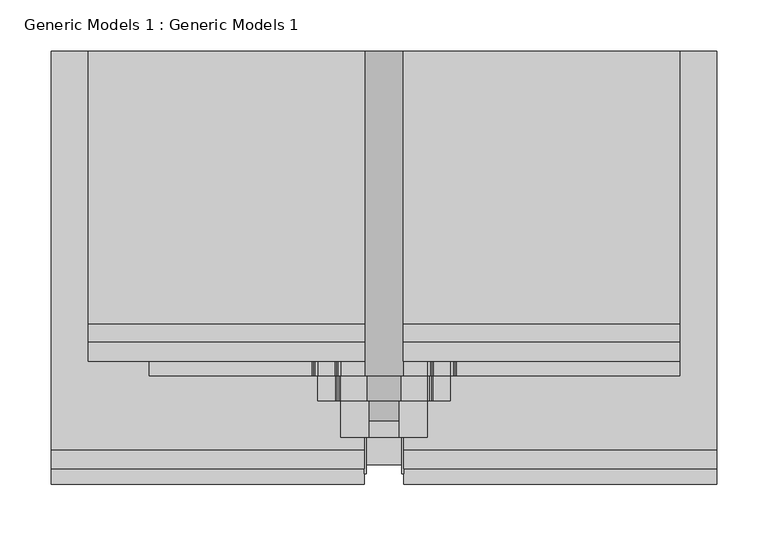
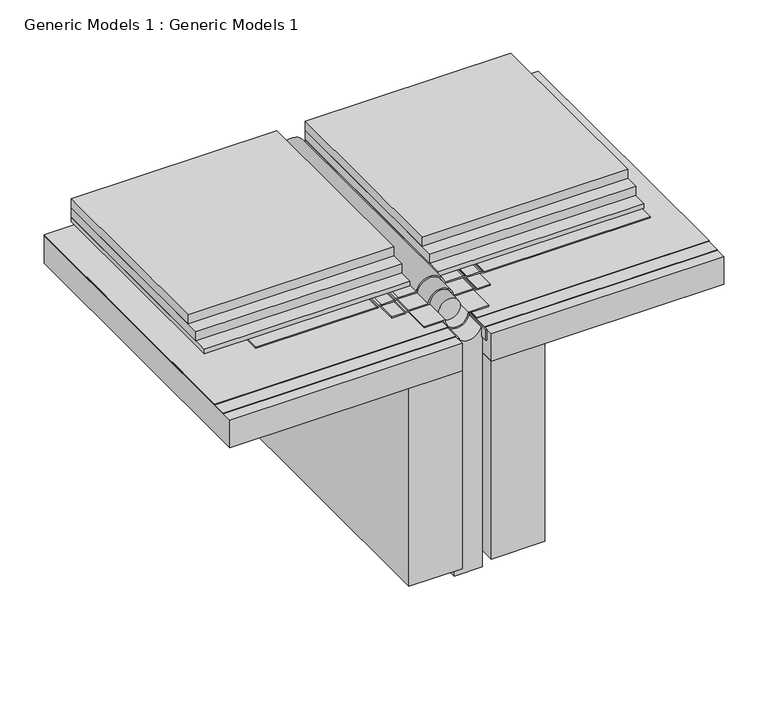
"""IFC4 building model written with IfcOpenShell, lengths in millimetres: proxy geometry, Generic Models 1 : Generic Models 1."""

import ifcopenshell
import ifcopenshell.guid

model = None  # the IFC model being written
_history = None  # IfcOwnerHistory: only IFC2X3 demands one
_inside = {}  # id of a spatial element -> (the spatial element, [elements in it])
_under = {}  # id of a project, library or spatial element -> (it, [spatial elements below it])
_declared = {}  # id of a project -> (the project, [libraries it declares])
_typed = {}  # id of a type object -> (the type object, [elements of that type])
_made_of = {}  # id of a material, layer set ... -> (it, [elements and type objects made of it])


def new_model(schema):
    """Start an empty IFC model of exactly this schema.

    Asked for "IFC4X3", IfcOpenShell would pick the latest addendum, in which some entities
    have other attributes; the version numbers below select the first issue.
    IFC2X3 requires an IfcOwnerHistory on every rooted entity: one is made here for all.
    """
    global model, _history
    if schema == "IFC4X3":
        model = ifcopenshell.file(schema_version=(4, 3, 0, 0))
    else:
        model = ifcopenshell.file(schema=schema)
    _inside.clear()
    _under.clear()
    _declared.clear()
    _typed.clear()
    _made_of.clear()
    _history = None
    if model.schema == "IFC2X3":
        org = make("IfcOrganization", Name="unknown")
        user = make(
            "IfcPersonAndOrganization",
            ThePerson=make("IfcPerson", FamilyName="unknown"),
            TheOrganization=org,
        )
        app = make(
            "IfcApplication",
            ApplicationDeveloper=org,
            Version="unknown",
            ApplicationFullName="unknown",
            ApplicationIdentifier="unknown",
        )
        _history = make(
            "IfcOwnerHistory",
            OwningUser=user,
            OwningApplication=app,
            ChangeAction="ADDED",
            CreationDate=0,
        )
    return model


def make(cls, **values):
    """One entity of the class cls with the attributes given. An attribute that is None is left unset."""
    return model.create_entity(
        cls, **{name: value for name, value in values.items() if value is not None}
    )


def rooted(cls, **values):
    """An entity with a GlobalId (a new one), such as an element, a storey or a relation."""
    return make(cls, GlobalId=ifcopenshell.guid.new(), OwnerHistory=_history, **values)


def si_unit(unit_type, name, prefix=None):
    """IfcSIUnit, for example si_unit("LENGTHUNIT", "METRE", prefix="MILLI")."""
    return make("IfcSIUnit", UnitType=unit_type, Prefix=prefix, Name=name)


def assignment(units):
    """IfcUnitAssignment: the units of a project."""
    return None if units is None else make("IfcUnitAssignment", Units=units)


def point(xyz):
    """IfcCartesianPoint."""
    return None if xyz is None else make("IfcCartesianPoint", Coordinates=xyz)


def direction(xyz):
    """IfcDirection."""
    return None if xyz is None else make("IfcDirection", DirectionRatios=xyz)


def frame(location, z_axis=None, x_axis=None):
    """IfcAxis2Placement3D, a coordinate frame: its origin and axes. An axis left out is left unset."""
    return make(
        "IfcAxis2Placement3D",
        Location=point(location),
        Axis=direction(z_axis),
        RefDirection=direction(x_axis),
    )


def frame_2d(location, x_axis=None):
    """IfcAxis2Placement2D, a coordinate frame in the plane: its origin and x axis."""
    return make(
        "IfcAxis2Placement2D", Location=point(location), RefDirection=direction(x_axis)
    )


def origin():
    """The frame at (0, 0, 0) with its axes left unset."""
    return frame((0.0, 0.0, 0.0))


def place(relative_to, where):
    """IfcLocalPlacement: puts the frame where relative to a parent placement (None: the world)."""
    return make(
        "IfcLocalPlacement", PlacementRelTo=relative_to, RelativePlacement=where
    )


def context(
    kind, dimensions, precision=None, world=None, true_north=None, identifier=None
):
    """IfcGeometricRepresentationContext, for example the 3D "Model" context."""
    return make(
        "IfcGeometricRepresentationContext",
        ContextIdentifier=identifier,
        ContextType=kind,
        CoordinateSpaceDimension=dimensions,
        Precision=precision,
        WorldCoordinateSystem=world,
        TrueNorth=true_north,
    )


def project(units=None, contexts=None):
    """IfcProject with its units and contexts."""
    return rooted(
        "IfcProject",
        Name="project",
        RepresentationContexts=contexts,
        UnitsInContext=assignment(units),
    )


def spatial(cls, under=None, at=None, **own):
    """A site, building, storey or space (cls), placed at a placement, below another one or the project."""
    s = rooted(cls, ObjectPlacement=at, **own)
    if under is not None:
        _under.setdefault(under.id(), (under, []))[1].append(s)
    return s


def polyline(points):
    """IfcPolyline through the points."""
    return make("IfcPolyline", Points=[point(p) for p in points])


def circle_curve(where, radius):
    """IfcCircle in the frame where."""
    return make("IfcCircle", Position=where, Radius=radius)


def trimmed(basis, trim1, trim2, sense, master):
    """IfcTrimmedCurve: the piece of a basis curve between two trims."""
    return make(
        "IfcTrimmedCurve",
        BasisCurve=basis,
        Trim1=trim1,
        Trim2=trim2,
        SenseAgreement=sense,
        MasterRepresentation=master,
    )


def segment(curve, same_sense, transition):
    """IfcCompositeCurveSegment."""
    return make(
        "IfcCompositeCurveSegment",
        Transition=transition,
        SameSense=same_sense,
        ParentCurve=curve,
    )


def composite_curve(segments, self_intersect=None):
    """IfcCompositeCurve: segments joined end to end."""
    return make("IfcCompositeCurve", Segments=segments, SelfIntersect=self_intersect)


def outline(outer, holes=None, kind="AREA"):
    """IfcArbitraryClosedProfileDef: a profile drawn as a closed curve; with holes, ...WithVoids."""
    if holes is None:
        return make("IfcArbitraryClosedProfileDef", ProfileType=kind, OuterCurve=outer)
    return make(
        "IfcArbitraryProfileDefWithVoids",
        ProfileType=kind,
        OuterCurve=outer,
        InnerCurves=holes,
    )


def extrude(swept, where, along, depth):
    """IfcExtrudedAreaSolid: the profile swept, set in the frame where, extruded along a direction by depth."""
    return make(
        "IfcExtrudedAreaSolid",
        SweptArea=swept,
        Position=where,
        ExtrudedDirection=direction(along),
        Depth=depth,
    )


def shape(context_of_items, identifier, shape_type, items):
    """IfcShapeRepresentation: the items that make up one representation, for example the "Body"."""
    return make(
        "IfcShapeRepresentation",
        ContextOfItems=context_of_items,
        RepresentationIdentifier=identifier,
        RepresentationType=shape_type,
        Items=items,
    )


def source(mapping_origin, context_of_items, identifier, shape_type, items):
    """IfcRepresentationMap: a shape defined once, which mapped items show again and again."""
    return make(
        "IfcRepresentationMap",
        MappingOrigin=mapping_origin,
        MappedRepresentation=shape(context_of_items, identifier, shape_type, items),
    )


def transform(
    local_origin,
    x_axis=None,
    y_axis=None,
    z_axis=None,
    scale=None,
    scale2=None,
    scale3=None,
    uniform=True,
):
    """IfcCartesianTransformationOperator3D, or its non-uniform kind. x_axis, y_axis, z_axis: its Axis1, 2, 3."""
    if uniform:
        return make(
            "IfcCartesianTransformationOperator3D",
            Axis1=direction(x_axis),
            Axis2=direction(y_axis),
            LocalOrigin=point(local_origin),
            Scale=scale,
            Axis3=direction(z_axis),
        )
    return make(
        "IfcCartesianTransformationOperator3DnonUniform",
        Axis1=direction(x_axis),
        Axis2=direction(y_axis),
        LocalOrigin=point(local_origin),
        Scale=scale,
        Axis3=direction(z_axis),
        Scale2=scale2,
        Scale3=scale3,
    )


def mapped(mapping_source, mapping_target):
    """IfcMappedItem: shows the shape of a source again, moved by a transform."""
    return make(
        "IfcMappedItem", MappingSource=mapping_source, MappingTarget=mapping_target
    )


def made_of(thing, what):
    """Note that an element or type object is made of a material, layer set ...; save() writes the relation."""
    if what is not None:
        _made_of.setdefault(what.id(), (what, []))[1].append(thing)
    return thing


def element(
    cls,
    number,
    at=None,
    inside=None,
    cuts=None,
    type_object=None,
    material=None,
    context=None,
    identifier="Body",
    shape_type=None,
    held_by="IfcProductDefinitionShape",
    body=None,
    shapes=None,
    **own,
):
    """One element of the class cls, such as IfcWall. Its Tag is "e" and its number.

    at: its placement. inside: the storey or other place that contains it. cuts: it is an
    opening in that element (IfcRelVoidsElement). A single representation is given by context,
    identifier, shape_type and body (its items); several are given by shapes. held_by: the class
    of the entity that holds the representations. save() writes the other relations.
    """
    e = rooted(cls, Tag="e%d" % number, ObjectPlacement=at, **own)
    if body is not None:
        shapes = [shape(context, identifier, shape_type, body)]
    if shapes is not None:
        e.Representation = make(held_by, Representations=shapes)
    if inside is not None:
        _inside.setdefault(inside.id(), (inside, []))[1].append(e)
    if cuts is not None:
        rooted(
            "IfcRelVoidsElement", RelatingBuildingElement=cuts, RelatedOpeningElement=e
        )
    if type_object is not None:
        _typed.setdefault(type_object.id(), (type_object, []))[1].append(e)
    return made_of(e, material)


def aggregate(whole, parts):
    """IfcRelAggregates: a whole, such as a stair, and the parts it consists of."""
    return rooted("IfcRelAggregates", RelatingObject=whole, RelatedObjects=parts)


def save(model, path):
    """Write the relations noted so far, then the file.

    IfcRelAggregates (storeys below a building ...), IfcRelContainedInSpatialStructure (elements
    in a storey), IfcRelDefinesByType, IfcRelAssociatesMaterial and IfcRelDeclares: one each for
    every whole, place, type object, material and project.
    """
    for whole, parts in _under.values():
        aggregate(whole, parts)
    for where, things in _inside.values():
        rooted(
            "IfcRelContainedInSpatialStructure",
            RelatedElements=things,
            RelatingStructure=where,
        )
    for kind, things in _typed.values():
        rooted("IfcRelDefinesByType", RelatedObjects=things, RelatingType=kind)
    for what, things in _made_of.values():
        rooted("IfcRelAssociatesMaterial", RelatedObjects=things, RelatingMaterial=what)
    for by, libraries in _declared.values():
        rooted("IfcRelDeclares", RelatingContext=by, RelatedDefinitions=libraries)
    model.write(path)


def generic_models_1_generic_models_1_52a5eff1(model_context):
    return source(origin(), model_context, "Body", "SweptSolid", [
        extrude(outline(polyline([(-260.35, 393.8469389), (44.45, 393.8469389), (44.45, -12.7), (-260.35, -12.7), (-260.35, 393.8469389)])), frame((0.0, 0.0, 344.0748414), z_axis=(0.0, 0.0, 1.0), x_axis=(1.0, 0.0, 0.0)), (0.0, 0.0, 1.0), 0.79375),
        extrude(outline(polyline([(82.55, 393.8469389), (387.35, 393.8469389), (387.35, -12.7), (82.55, -12.7), (82.55, 393.8469389)])), frame((0.0, 0.0, 344.0748414), z_axis=(0.0, 0.0, 1.0), x_axis=(1.0, 0.0, 0.0)), (0.0, 0.0, 1.0), 0.79375),
        extrude(outline(polyline([(82.1291976, 393.8469389), (351.5567558, 393.8469389), (351.5567558, 128.6867187), (82.1291976, 128.6867187), (82.1291976, 393.8469389)])), frame((0.0, 0.0, 370.2948839), z_axis=(0.0, 0.0, 1.0), x_axis=(1.0, 0.0, 0.0)), (0.0, 0.0, 1.0), 12.7),
        extrude(outline(polyline([(-224.5567558, 393.8469389), (44.8708024, 393.8469389), (44.8708024, 128.6867188), (-224.5567558, 128.6867188), (-224.5567558, 393.8469389)])), frame((0.0, 0.0, 370.2948839), z_axis=(0.0, 0.0, 1.0), x_axis=(1.0, 0.0, 0.0)), (0.0, 0.0, 1.0), 12.7),
        extrude(outline(polyline([(82.1291976, 393.8469389), (351.5567558, 393.8469389), (351.5567558, 111.125), (82.1291976, 111.125), (82.1291976, 393.8469389)])), frame((0.0, 0.0, 357.5948839), z_axis=(0.0, 0.0, 1.0), x_axis=(1.0, 0.0, 0.0)), (0.0, 0.0, 1.0), 12.7),
        extrude(outline(polyline([(-224.5567558, 393.8469389), (44.8708024, 393.8469389), (44.8708024, 111.125), (-224.5567558, 111.125), (-224.5567558, 393.8469389)])), frame((0.0, 0.0, 357.5948839), z_axis=(0.0, 0.0, 1.0), x_axis=(1.0, 0.0, 0.0)), (0.0, 0.0, 1.0), 12.7),
        extrude(outline(polyline([(82.1291976, 393.8469389), (351.5567558, 393.8469389), (351.5567558, 92.075), (82.1291976, 92.075), (82.1291976, 393.8469389)])), frame((0.0, 0.0, 351.2448839), z_axis=(0.0, 0.0, 1.0), x_axis=(1.0, 0.0, 0.0)), (0.0, 0.0, 1.0), 6.35),
        extrude(outline(polyline([(-224.5567558, 393.8469389), (44.8708024, 393.8469389), (44.8708024, 92.075), (-224.5567558, 92.075), (-224.5567558, 393.8469389)])), frame((0.0, 0.0, 351.2448839), z_axis=(0.0, 0.0, 1.0), x_axis=(1.0, 0.0, 0.0)), (0.0, 0.0, 1.0), 6.35),
        extrude(outline(composite_curve([segment(polyline([(349.6573839, 80.7975655), (349.6573839, 105.6586194)]), True, "CONTINUOUS"), segment(trimmed(circle_curve(frame_2d((344.1011339, 105.6586194)), 5.55625), [point((349.6573839, 105.6586194))], [point((349.1368066, 108.0067922))], True, "CARTESIAN"), True, "CONTINUOUS"), segment(polyline([(349.1368066, 108.0067922), (348.4898005, 109.3943011)]), True, "CONTINUOUS"), segment(trimmed(circle_curve(frame_2d((352.8060914, 111.4070206)), 4.7625), [point((348.4898005, 109.3943011))], [point((348.0435914, 111.4070206))], False, "CARTESIAN"), True, "CONTINUOUS"), segment(polyline([(348.0435914, 111.4070206), (348.0435914, 128.0795393)]), True, "CONTINUOUS"), segment(trimmed(circle_curve(frame_2d((342.4873414, 128.0795393)), 5.55625), [point((348.0435914, 128.0795393))], [point((347.523014, 130.427712))], True, "CARTESIAN"), True, "CONTINUOUS"), segment(polyline([(347.523014, 130.427712), (346.876008, 131.815221)]), True, "CONTINUOUS"), segment(trimmed(circle_curve(frame_2d((351.1922988, 133.8279405)), 4.7625), [point((346.876008, 131.815221))], [point((346.4297988, 133.8279405))], False, "CARTESIAN"), True, "CONTINUOUS"), segment(polyline([(346.4297988, 133.8279405), (346.4297988, 351.5567558), (348.0172988, 351.5567558), (348.0172988, 133.8279405)]), True, "CONTINUOUS"), segment(trimmed(circle_curve(frame_2d((351.1922988, 133.8279405)), 3.175), [point((348.0172988, 133.8279405))], [point((348.3147716, 132.4861275))], True, "CARTESIAN"), True, "CONTINUOUS"), segment(polyline([(348.3147716, 132.4861275), (348.9617776, 131.0986185)]), True, "CONTINUOUS"), segment(trimmed(circle_curve(frame_2d((342.4873414, 128.0795393)), 7.14375), [point((348.9617776, 131.0986185))], [point((349.6310914, 128.0795393))], False, "CARTESIAN"), True, "CONTINUOUS"), segment(polyline([(349.6310914, 128.0795393), (349.6310914, 111.4070206)]), True, "CONTINUOUS"), segment(trimmed(circle_curve(frame_2d((352.8060914, 111.4070206)), 3.175), [point((349.6310914, 111.4070206))], [point((349.9285641, 110.0652076))], True, "CARTESIAN"), True, "CONTINUOUS"), segment(polyline([(349.9285641, 110.0652076), (350.5755702, 108.6776987)]), True, "CONTINUOUS"), segment(trimmed(circle_curve(frame_2d((344.1011339, 105.6586194)), 7.14375), [point((350.5755702, 108.6776987))], [point((351.2448839, 105.6586194))], False, "CARTESIAN"), True, "CONTINUOUS"), segment(polyline([(351.2448839, 105.6586194), (351.2448839, 82.1291976)]), True, "CONTINUOUS"), segment(trimmed(circle_curve(frame_2d((347.2629876, 63.5)), 19.05), [point((351.2448839, 82.1291976))], [point((351.2448839, 44.8708024))], False, "CARTESIAN"), True, "CONTINUOUS"), segment(polyline([(351.2448839, 44.8708024), (351.2448839, 21.3413806)]), True, "CONTINUOUS"), segment(trimmed(circle_curve(frame_2d((344.1011339, 21.3413806)), 7.14375), [point((351.2448839, 21.3413806))], [point((350.5755702, 18.3223013))], False, "CARTESIAN"), True, "CONTINUOUS"), segment(polyline([(350.5755702, 18.3223013), (349.9285641, 16.9347924)]), True, "CONTINUOUS"), segment(trimmed(circle_curve(frame_2d((352.8060914, 15.5929794)), 3.175), [point((349.9285641, 16.9347924))], [point((349.6310914, 15.5929794))], True, "CARTESIAN"), True, "CONTINUOUS"), segment(polyline([(349.6310914, 15.5929794), (349.6310914, -1.0795393)]), True, "CONTINUOUS"), segment(trimmed(circle_curve(frame_2d((342.4873414, -1.0795393)), 7.14375), [point((349.6310914, -1.0795393))], [point((348.9617776, -4.0986185))], False, "CARTESIAN"), True, "CONTINUOUS"), segment(polyline([(348.9617776, -4.0986185), (348.3147716, -5.4861275)]), True, "CONTINUOUS"), segment(trimmed(circle_curve(frame_2d((351.1922988, -6.8279405)), 3.175), [point((348.3147716, -5.4861275))], [point((348.0172988, -6.8279405))], True, "CARTESIAN"), True, "CONTINUOUS"), segment(polyline([(348.0172988, -6.8279405), (348.0172988, -165.2260002), (346.4297988, -165.2260002), (346.4297988, -6.8279405)]), True, "CONTINUOUS"), segment(trimmed(circle_curve(frame_2d((351.1922988, -6.8279405)), 4.7625), [point((346.4297988, -6.8279405))], [point((346.876008, -4.815221))], False, "CARTESIAN"), True, "CONTINUOUS"), segment(polyline([(346.876008, -4.815221), (347.523014, -3.427712)]), True, "CONTINUOUS"), segment(trimmed(circle_curve(frame_2d((342.4873414, -1.0795393)), 5.55625), [point((347.523014, -3.427712))], [point((348.0435914, -1.0795393))], True, "CARTESIAN"), True, "CONTINUOUS"), segment(polyline([(348.0435914, -1.0795393), (348.0435914, 15.5929794)]), True, "CONTINUOUS"), segment(trimmed(circle_curve(frame_2d((352.8060914, 15.5929794)), 4.7625), [point((348.0435914, 15.5929794))], [point((348.4898005, 17.6056989))], False, "CARTESIAN"), True, "CONTINUOUS"), segment(polyline([(348.4898005, 17.6056989), (349.1368066, 18.9932078)]), True, "CONTINUOUS"), segment(trimmed(circle_curve(frame_2d((344.1011339, 21.3413806)), 5.55625), [point((349.1368066, 18.9932078))], [point((349.6573839, 21.3413806))], True, "CARTESIAN"), True, "CONTINUOUS"), segment(polyline([(349.6573839, 21.3413806), (349.6573839, 46.2024345)]), True, "CONTINUOUS"), segment(trimmed(circle_curve(frame_2d((347.2629876, 63.5)), 17.4625), [point((349.6573839, 46.2024345))], [point((349.6573839, 80.7975655))], True, "CARTESIAN"), True, "CONTINUOUS")], self_intersect=False)), frame((0.0, 77.8885066, 0.0), z_axis=(0.0, 1.0, 0.0), x_axis=(0.0, 0.0, 1.0)), (0.0, 0.0, 1.0), 315.9584324),
        extrude(outline(composite_curve([segment(polyline([(348.8636339, 105.6586194), (348.8636339, 80.0917196)]), True, "CONTINUOUS"), segment(trimmed(circle_curve(frame_2d((347.2629876, 63.5)), 16.66875), [point((348.8636339, 80.0917196))], [point((348.8636339, 46.9082804))], False, "CARTESIAN"), True, "CONTINUOUS"), segment(polyline([(348.8636339, 46.9082804), (348.8636339, 21.3413806)]), True, "CONTINUOUS"), segment(trimmed(circle_curve(frame_2d((344.1011339, 21.3413806)), 4.7625), [point((348.8636339, 21.3413806))], [point((348.4174248, 19.3286611))], False, "CARTESIAN"), True, "CONTINUOUS"), segment(polyline([(348.4174248, 19.3286611), (347.5473141, 17.4627028)]), True, "CONTINUOUS"), segment(trimmed(circle_curve(frame_2d((350.4248414, 16.1208898)), 3.175), [point((347.5473141, 17.4627028))], [point((347.2498414, 16.1208898))], True, "CARTESIAN"), True, "CONTINUOUS"), segment(polyline([(347.2498414, 16.1208898), (347.2498414, -1.0795393), (345.6623414, -1.0795393), (345.6623414, 16.1208898)]), True, "CONTINUOUS"), segment(trimmed(circle_curve(frame_2d((350.4248414, 16.1208898)), 4.7625), [point((345.6623414, 16.1208898))], [point((346.1085505, 18.1336093))], False, "CARTESIAN"), True, "CONTINUOUS"), segment(polyline([(346.1085505, 18.1336093), (346.9786612, 19.9995676)]), True, "CONTINUOUS"), segment(trimmed(circle_curve(frame_2d((344.1011339, 21.3413806)), 3.175), [point((346.9786612, 19.9995676))], [point((347.2761339, 21.3413806))], True, "CARTESIAN"), True, "CONTINUOUS"), segment(polyline([(347.2761339, 21.3413806), (347.2761339, 48.4187557)]), True, "CONTINUOUS"), segment(trimmed(circle_curve(frame_2d((347.2629876, 63.5)), 15.08125), [point((347.2761339, 48.4187557))], [point((347.2761339, 78.5812443))], True, "CARTESIAN"), True, "CONTINUOUS"), segment(polyline([(347.2761339, 78.5812443), (347.2761339, 105.6586194)]), True, "CONTINUOUS"), segment(trimmed(circle_curve(frame_2d((344.1011339, 105.6586194)), 3.175), [point((347.2761339, 105.6586194))], [point((346.9786612, 107.0004324))], True, "CARTESIAN"), True, "CONTINUOUS"), segment(polyline([(346.9786612, 107.0004324), (346.1085505, 108.8663907)]), True, "CONTINUOUS"), segment(trimmed(circle_curve(frame_2d((350.4248414, 110.8791102)), 4.7625), [point((346.1085505, 108.8663907))], [point((345.6623414, 110.8791102))], False, "CARTESIAN"), True, "CONTINUOUS"), segment(polyline([(345.6623414, 110.8791102), (345.6623414, 128.0795393), (347.2498414, 128.0795393), (347.2498414, 110.8791102)]), True, "CONTINUOUS"), segment(trimmed(circle_curve(frame_2d((350.4248414, 110.8791102)), 3.175), [point((347.2498414, 110.8791102))], [point((347.5473141, 109.5372972))], True, "CARTESIAN"), True, "CONTINUOUS"), segment(polyline([(347.5473141, 109.5372972), (348.4174248, 107.6713389)]), True, "CONTINUOUS"), segment(trimmed(circle_curve(frame_2d((344.1011339, 105.6586194)), 4.7625), [point((348.4174248, 107.6713389))], [point((348.8636339, 105.6586194))], False, "CARTESIAN"), True, "CONTINUOUS")], self_intersect=False)), frame((0.0, 53.568581, 0.0), z_axis=(0.0, 1.0, 0.0), x_axis=(0.0, 0.0, 1.0)), (0.0, 0.0, 1.0), 340.278358),
        extrude(outline(composite_curve([segment(trimmed(circle_curve(frame_2d((347.2629876, 63.5)), 17.4625), [point((342.0580208, 80.16875))], [point((342.0580208, 46.83125))], True, "CARTESIAN"), True, "CONTINUOUS"), segment(polyline([(342.0580208, 46.83125), (328.1931348, 46.83125), (328.1931348, 45.24375), (9.525, 45.24375), (9.525, 81.75625), (328.1931348, 81.75625), (328.1931348, 80.16875), (342.0580208, 80.16875)]), True, "CONTINUOUS")], self_intersect=False)), frame((0.0, -8.424879, 0.0), z_axis=(0.0, 1.0, 0.0), x_axis=(0.0, 0.0, 1.0)), (0.0, 0.0, 1.0), 402.271818),
        extrude(outline(composite_curve([segment(polyline([(345.6623414, 105.56875), (347.2498414, 105.56875), (347.2498414, 78.5812443)]), True, "CONTINUOUS"), segment(trimmed(circle_curve(frame_2d((347.2629876, 63.5)), 15.08125), [point((347.2498414, 78.5812443))], [point((347.2498414, 48.4187557))], True, "CARTESIAN"), True, "CONTINUOUS"), segment(polyline([(347.2498414, 48.4187557), (347.2498414, 21.43125), (345.6623414, 21.43125), (345.6623414, 46.9082804)]), True, "CONTINUOUS"), segment(trimmed(circle_curve(frame_2d((347.2629876, 63.5)), 16.66875), [point((345.6623414, 46.9082804))], [point((345.6623414, 80.0917196))], False, "CARTESIAN"), True, "CONTINUOUS"), segment(polyline([(345.6623414, 80.0917196), (345.6623414, 105.56875)]), True, "CONTINUOUS")], self_intersect=False)), frame((0.0, 18.3920053, 0.0), z_axis=(0.0, 1.0, 0.0), x_axis=(0.0, 0.0, 1.0)), (0.0, 0.0, 1.0), 375.4549336),
        extrude(outline(composite_curve([segment(trimmed(circle_curve(frame_2d((347.2629876, 63.5)), 14.2875), [point((347.2629876, 49.2125))], [point((347.2629876, 77.7875))], False, "CARTESIAN"), True, "CONTINUOUS"), segment(trimmed(circle_curve(frame_2d((347.2629876, 63.5)), 14.2875), [point((347.2629876, 77.7875))], [point((347.2629876, 49.2125))], False, "CARTESIAN"), True, "CONTINUOUS")], self_intersect=False)), frame((0.0, 34.3915988, 0.0), z_axis=(0.0, 1.0, 0.0), x_axis=(0.0, 0.0, 1.0)), (0.0, 0.0, 1.0), 359.4553402),
        extrude(outline(polyline([(44.45, 393.8469389), (46.0375, 393.8469389), (46.0375, -17.4108394), (44.45, -17.4108394), (44.45, 393.8469389)])), frame((0.0, 0.0, 328.9868848), z_axis=(0.0, 0.0, 1.0), x_axis=(1.0, 0.0, 0.0)), (0.0, 0.0, 1.0), 15.0879565),
        extrude(outline(polyline([(80.9625, 393.8469389), (82.55, 393.8469389), (82.55, -17.4108394), (80.9625, -17.4108394), (80.9625, 393.8469389)])), frame((0.0, 0.0, 328.9868848), z_axis=(0.0, 0.0, 1.0), x_axis=(1.0, 0.0, 0.0)), (0.0, 0.0, 1.0), 15.0879565),
        extrude(outline(polyline([(-260.35, 393.8469389), (44.45, 393.8469389), (44.45, 5.8433804), (-260.35, 5.8433804), (-260.35, 393.8469389)])), frame((0.0, 0.0, 344.8685914), z_axis=(0.0, 0.0, 1.0), x_axis=(1.0, 0.0, 0.0)), (0.0, 0.0, 1.0), 0.79375),
        extrude(outline(polyline([(82.55, 393.8469389), (387.35, 393.8469389), (387.35, 5.8433804), (82.55, 5.8433804), (82.55, 393.8469389)])), frame((0.0, 0.0, 344.8685914), z_axis=(0.0, 0.0, 1.0), x_axis=(1.0, 0.0, 0.0)), (0.0, 0.0, 1.0), 0.79375),
        extrude(outline(polyline([(-260.35, 393.8469389), (44.45, 393.8469389), (44.45, -27.5493627), (-260.35, -27.5493627), (-260.35, 393.8469389)])), frame((0.0, 0.0, 305.9748414), z_axis=(0.0, 0.0, 1.0), x_axis=(1.0, 0.0, 0.0)), (0.0, 0.0, 1.0), 38.1),
        extrude(outline(polyline([(82.55, 393.8469389), (387.35, 393.8469389), (387.35, -27.5493627), (82.55, -27.5493627), (82.55, 393.8469389)])), frame((0.0, 0.0, 305.9748414), z_axis=(0.0, 0.0, 1.0), x_axis=(1.0, 0.0, 0.0)), (0.0, 0.0, 1.0), 38.1),
        extrude(outline(polyline([(44.45, -27.5493627), (-25.4, -27.5493627), (-25.4, 393.8469389), (44.45, 393.8469389), (44.45, -27.5493627)])), frame((0.0, 0.0, 31.75), z_axis=(0.0, 0.0, 1.0), x_axis=(1.0, 0.0, 0.0)), (0.0, 0.0, 1.0), 274.2248414),
        extrude(outline(polyline([(152.4, -27.5493627), (82.55, -27.5493627), (82.55, 393.8469389), (152.4, 393.8469389), (152.4, -27.5493627)])), frame((0.0, 0.0, 31.75), z_axis=(0.0, 0.0, 1.0), x_axis=(1.0, 0.0, 0.0)), (0.0, 0.0, 1.0), 274.2248414),
    ])


if __name__ == "__main__":
    model = new_model("IFC4")
    model_context = context("Model", 3, world=origin())
    ifc_project = project(units=[si_unit("LENGTHUNIT", "METRE", prefix="MILLI")], contexts=[model_context])
    site = spatial("IfcSite", under=ifc_project)
    building = spatial("IfcBuilding", under=site)
    placement = place(None, origin())
    generic_models_1_generic_models_1_shape = generic_models_1_generic_models_1_52a5eff1(model_context)
    element("IfcBuildingElementProxy", 1, Name="Generic Models 1 : Generic Models 1", ObjectType="Generic Models 1 : Generic Models 1", at=placement, inside=building, context=model_context, shape_type="MappedRepresentation", body=[
        mapped(generic_models_1_generic_models_1_shape, transform((0.0, 0.0, 0.0), x_axis=(1.0, 0.0, 0.0), y_axis=(0.0, 1.0, 0.0), z_axis=(0.0, 0.0, 1.0))),
    ])
    save(model, "model.ifc")
